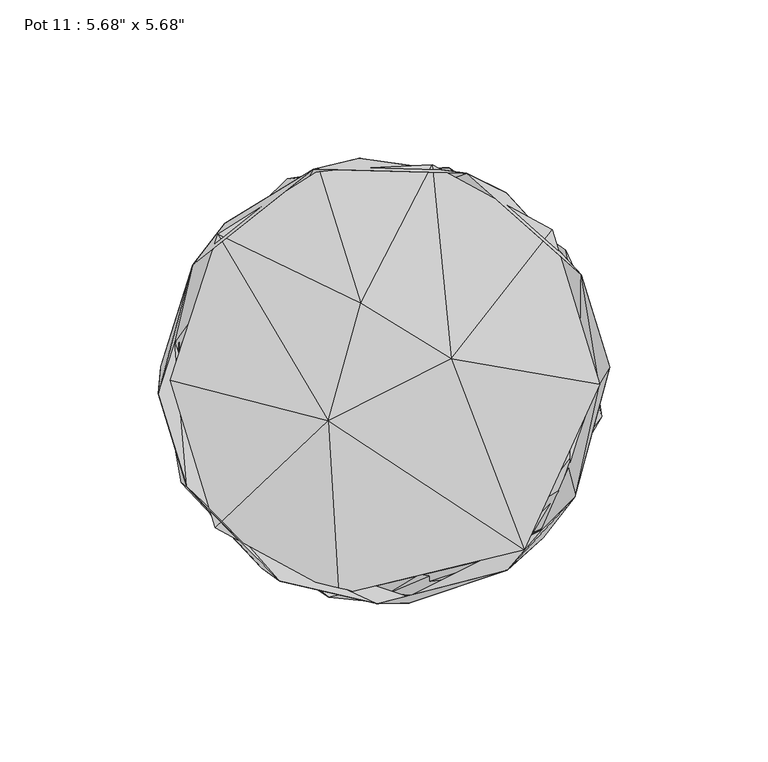
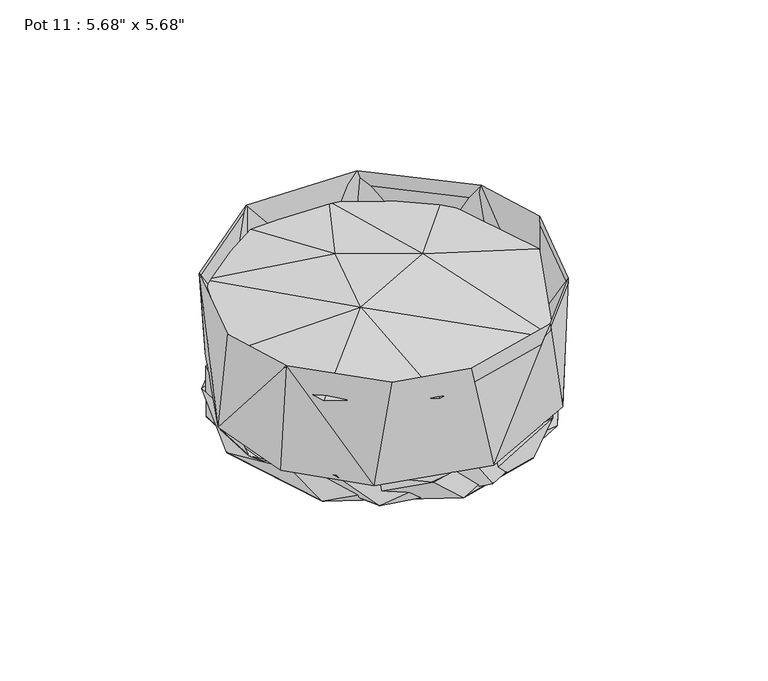
"""IFC4 building model written with IfcOpenShell, lengths in millimetres: furniture geometry."""

from ifc_helpers import new_model, si_unit, origin, place, context, project, spatial, triangles, source, transform, mapped, element, save


def furniture_38158e65(model_context):
    return source(origin(), model_context, "Body", "Tessellation", [
        triangles([(44.3655242, -53.5035111, 48.9588984), (21.2202368, 6.990254, 59.8366047), (-17.5758008, -12.7594467, 60.3925528), (-67.5126896, 0.1711845, 49.2052996), (-52.5557991, 46.3324781, 49.6559534), (-7.4159207, 24.5202784, 59.1589344), (68.1222363, -1.0801553, 50.6611519), (53.0974585, 47.775386, 48.7109575), (15.3064728, 68.2095902, 49.0660866), (-20.5115682, 66.5556214, 49.8533342), (-53.3384685, -46.5331063, 49.5982217), (-14.3527383, -67.6971669, 50.0282963)], [[1, 2, 3], [4, 3, 5], [3, 2, 6], [3, 6, 5], [7, 8, 2], [2, 9, 6], [2, 8, 9], [6, 10, 5], [6, 9, 10], [11, 12, 3], [11, 3, 4], [12, 1, 3], [1, 7, 2]], closed=False),
        triangles([(-35.822332, -58.8075523, 1.8601815), (1.1615455, -67.2842243, 14.1322077), (8.8103117, -67.8957104, 2.0265085), (-49.1385477, -47.9373356, 14.1322077), (68.7576218, -1.8911957, 1.8908762), (13.624668, 67.4745424, 1.8693828), (-63.6832722, 25.6690387, 1.9417997), (-66.9178358, -12.3624211, 8.0318413), (-17.5208453, -68.5379495, 12.4242666), (-4.9934685, -69.7464332, 1.3901392), (43.4554825, -53.99263, 12.4242666), (-53.1697288, -44.7340609, 1.5525327), (-60.7187139, -33.4197874, 12.4242666), (-67.9659232, 2.465248, 0.7253226), (31.837017, -59.2689522, 0.691116), (49.470486, -46.9904548, 2.1338344), (58.8504095, -32.6361052, 14.1322077), (62.6138153, 29.8251508, 1.2616009), (68.8029815, -11.4543438, 8.8044748), (-9.7051864, 67.0084962, 0.6468652), (-60.7365952, 34.2958558, 8.8044748), (58.653442, 34.5042938, 8.0318413), (-55.7426822, 40.0670175, 14.1322077), (57.4762246, 41.241646, 12.4242666), (-23.7949479, 63.7542617, 8.0317715), (-30.6340449, 63.7653484, 12.4242666), (29.7787192, 61.8527516, 14.1322077), (20.533233, 67.3619493, 9.8825817)], [[1, 2, 3], [1, 4, 2], [1, 3, 5], [1, 5, 6], [1, 6, 7], [1, 7, 8], [1, 8, 4], [9, 10, 11], [9, 12, 10], [9, 13, 12], [10, 12, 14], [10, 14, 15], [10, 15, 11], [2, 16, 3], [2, 17, 16], [3, 16, 5], [15, 18, 19], [15, 14, 20], [15, 20, 18], [15, 19, 11], [12, 13, 14], [16, 17, 5], [13, 21, 14], [17, 22, 5], [8, 7, 23], [5, 22, 6], [19, 18, 24], [14, 21, 20], [7, 6, 25], [7, 25, 23], [21, 26, 20], [22, 27, 6], [18, 28, 24], [18, 20, 28], [26, 28, 20], [25, 6, 27]], closed=False),
        triangles([(-7.8763662, 70.3231694, 12.4254407), (26.1131227, 65.5314924, 61.4079841), (38.6110244, 59.3624104, 12.4254407), (16.157687, 66.7284715, 14.1416014), (-22.3570474, 66.8631199, 61.4016618), (62.3119169, 33.4791542, 61.3411868), (-38.6106383, -59.3628282, 12.4254407), (7.876247, -70.3230513, 12.4254407), (-2.1255314, -70.5108623, 61.4092513), (-32.9915296, -63.3623025, 61.4079841), (-62.3125437, -33.4792723, 61.341046), (-64.1713147, -32.3259838, 12.4254407), (7.6384844, -68.2305691, 14.1416014), (-43.6163557, -51.207067, 14.1416014), (38.8764152, -59.9646583, 61.388454), (49.7092296, -47.3573201, 14.1416014), (50.3508465, -49.7055643, 12.4254407), (-66.1548964, 12.1688839, 14.1416014), (60.329825, -36.832095, 61.3328252), (68.5202498, -4.3244959, 14.1416014), (69.2035248, 4.064083, 12.4254407), (-70.6229195, 4.4549703, 12.4254407), (71.3700078, 4.2257308, 61.3568517), (55.2697459, 40.730717, 14.1416014), (-71.403386, -4.0748716, 61.3266482), (-60.4216435, 36.6130472, 61.3292462), (-50.3516186, 49.7055643, 12.4254407), (-30.5145391, 61.5032908, 14.1416014)], [[1, 2, 3], [4, 2, 5], [3, 2, 6], [7, 8, 9], [7, 9, 10], [7, 10, 11], [7, 11, 12], [13, 14, 9], [13, 9, 15], [13, 15, 16], [8, 17, 15], [8, 15, 9], [14, 10, 9], [14, 11, 10], [14, 18, 11], [16, 15, 19], [16, 19, 20], [17, 19, 15], [17, 21, 19], [12, 11, 22], [20, 19, 23], [20, 23, 6], [20, 6, 24], [22, 11, 25], [22, 25, 26], [22, 26, 27], [18, 26, 25], [18, 25, 11], [18, 28, 26], [21, 23, 19], [21, 6, 23], [21, 3, 6], [27, 5, 1], [27, 26, 5], [24, 2, 4], [24, 6, 2], [28, 5, 26], [28, 4, 5], [1, 5, 2]], closed=False),
    ])


if __name__ == "__main__":
    model = new_model("IFC4")
    model_context = context("Model", 3, world=origin())
    ifc_project = project(units=[si_unit("LENGTHUNIT", "METRE", prefix="MILLI")], contexts=[model_context])
    site = spatial("IfcSite", under=ifc_project)
    building = spatial("IfcBuilding", under=site)
    placement = place(None, origin())
    furniture_shape = furniture_38158e65(model_context)
    element("IfcFurniture", 1, ObjectType="Pot 11 : 5.68\" x 5.68\"", at=placement, inside=building, context=model_context, shape_type="MappedRepresentation", body=[
        mapped(furniture_shape, transform((0.0, 0.0, 0.0), x_axis=(1.0, 0.0, 0.0), y_axis=(0.0, 1.0, 0.0), z_axis=(0.0, 0.0, 1.0))),
    ])
    save(model, "model.ifc")
